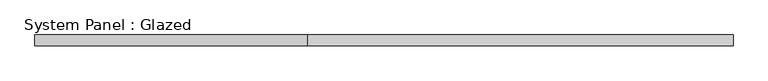
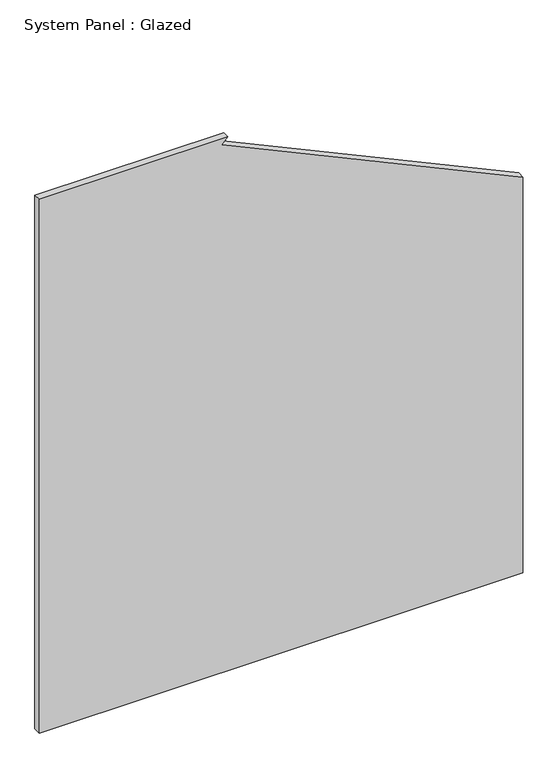
"""IFC4 building model written with IfcOpenShell, lengths in millimetres: plate geometry, System Panel : Glazed."""

from ifc_helpers import new_model, si_unit, frame, origin, place, context, project, spatial, polyline, outline, extrude, source, transform, mapped, element, save


def system_panel_glazed_69ce047e(model_context):
    return source(origin(), model_context, "Body", "SweptSolid", [
        extrude(outline(polyline([(0.0, -808.6842105), (0.0, 808.6842105), (1398.9427898, 808.6842105), (1866.3095433, -198.7882358), (1886.6666667, -177.7470534), (1886.6666667, -808.6842105), (0.0, -808.6842105)])), frame((0.0, 52.5, 0.0), z_axis=(0.0, 1.0, 0.0), x_axis=(0.0, 0.0, 1.0)), (0.0, 0.0, 1.0), 25.0),
    ])


if __name__ == "__main__":
    model = new_model("IFC4")
    model_context = context("Model", 3, world=origin())
    ifc_project = project(units=[si_unit("LENGTHUNIT", "METRE", prefix="MILLI")], contexts=[model_context])
    site = spatial("IfcSite", under=ifc_project)
    building = spatial("IfcBuilding", under=site)
    placement = place(None, origin())
    system_panel_glazed_shape = system_panel_glazed_69ce047e(model_context)
    element("IfcPlate", 1, ObjectType="System Panel : Glazed", at=placement, inside=building, context=model_context, shape_type="MappedRepresentation", body=[
        mapped(system_panel_glazed_shape, transform((0.0, 0.0, 0.0), x_axis=(1.0, 0.0, 0.0), y_axis=(0.0, 1.0, 0.0), z_axis=(0.0, 0.0, 1.0))),
    ])
    save(model, "model.ifc")
